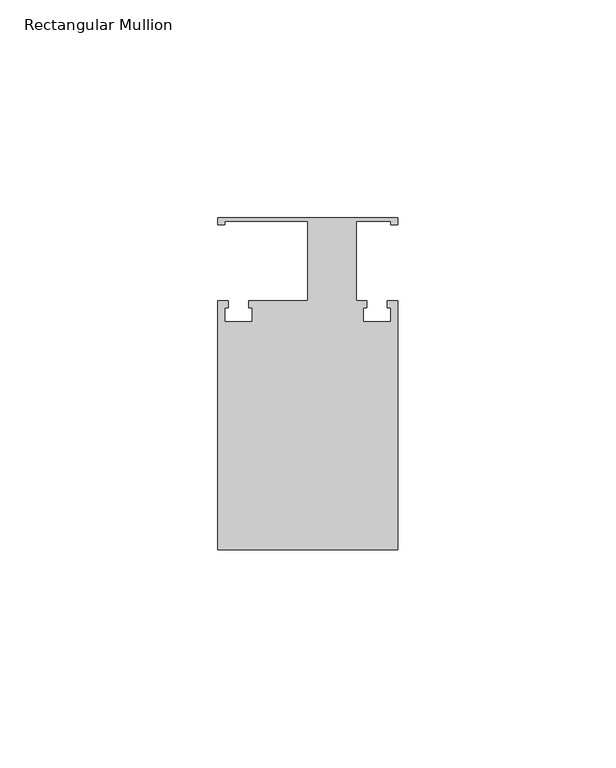
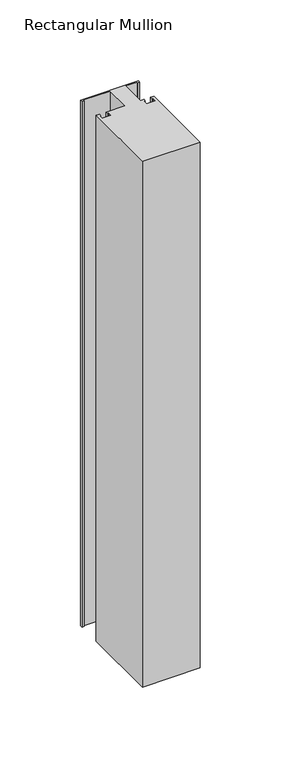
"""IFC4 building model written with IfcOpenShell, lengths in millimetres: member geometry, Rectangular Mullion."""

from ifc_helpers import new_model, si_unit, frame, origin, place, context, project, spatial, polyline, outline, extrude, source, transform, mapped, element, save


def rectangular_mullion_89189c98(model_context):
    return source(origin(), model_context, "Body", "SweptSolid", [
        extrude(outline(polyline([(20.6375, 38.1), (20.6375, 36.5125), (19.05, 36.5125), (19.05, 37.30625), (11.1125, 37.30625), (11.1125, 19.05), (13.49375, 19.05), (13.49375, 17.4625), (12.7, 17.4625), (12.7, 14.2875), (19.05, 14.2875), (19.05, 17.4625), (18.25625, 17.4625), (18.25625, 19.05), (20.6375, 19.05), (20.6375, -38.1), (-20.6375, -38.1), (-20.6375, 19.05), (-18.25625, 19.05), (-18.25625, 17.4625), (-19.05, 17.4625), (-19.05, 14.2875), (-12.7, 14.2875), (-12.7, 17.4625), (-13.49375, 17.4625), (-13.49375, 19.05), (0.0, 19.05), (0.0, 37.30625), (-19.05, 37.30625), (-19.05, 36.5125), (-20.6375, 36.5125), (-20.6375, 38.1), (20.6375, 38.1)])), frame((0.0, 0.0, -396.875), z_axis=(0.0, 0.0, 1.0), x_axis=(1.0, 0.0, 0.0)), (0.0, 0.0, 1.0), 396.875),
    ])


if __name__ == "__main__":
    model = new_model("IFC4")
    model_context = context("Model", 3, world=origin())
    ifc_project = project(units=[si_unit("LENGTHUNIT", "METRE", prefix="MILLI")], contexts=[model_context])
    site = spatial("IfcSite", under=ifc_project)
    building = spatial("IfcBuilding", under=site)
    placement = place(None, origin())
    rectangular_mullion_shape = rectangular_mullion_89189c98(model_context)
    element("IfcMember", 1, ObjectType="Rectangular Mullion", at=placement, inside=building, context=model_context, shape_type="MappedRepresentation", body=[
        mapped(rectangular_mullion_shape, transform((0.0, 0.0, 0.0), x_axis=(1.0, 0.0, 0.0), y_axis=(0.0, 1.0, 0.0), z_axis=(0.0, 0.0, 1.0))),
    ])
    save(model, "model.ifc")
